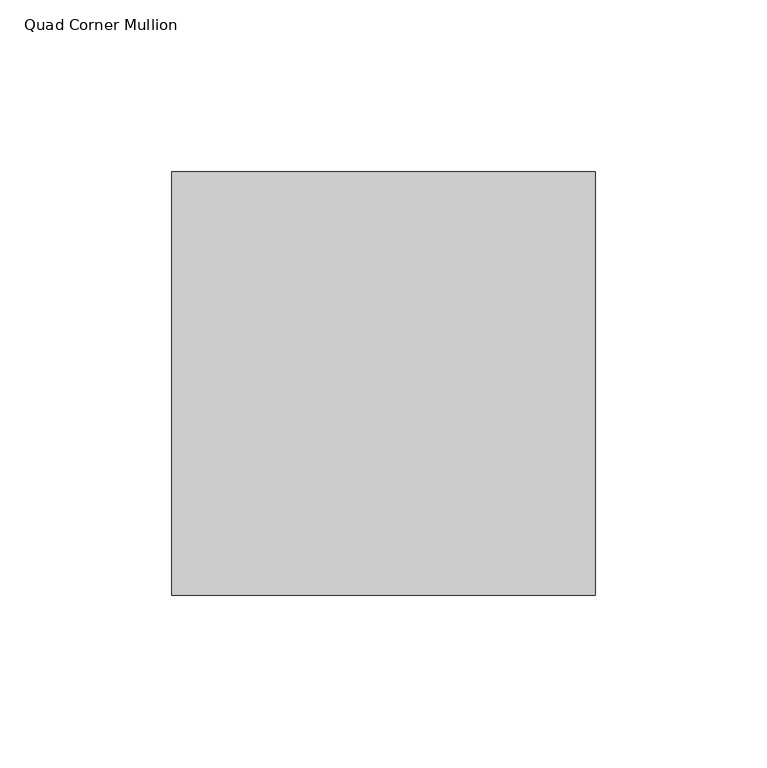
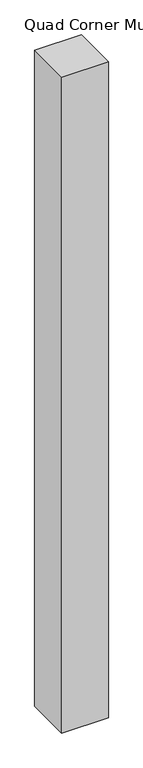
"""IFC4 building model written with IfcOpenShell, lengths in millimetres: member geometry, Quad Corner Mullion."""

from ifc_helpers import new_model, si_unit, frame, origin, place, context, project, spatial, polyline, outline, extrude, source, transform, mapped, element, save


def quad_corner_mullion_cb1e482d(model_context):
    return source(origin(), model_context, "Body", "SweptSolid", [
        extrude(outline(polyline([(77.0433594, -46.0871094), (-46.0871094, -46.0871094), (-46.0871094, 77.0433594), (77.0433594, 77.0433594), (77.0433594, -46.0871094)])), frame((0.0, 0.0, -1828.8), z_axis=(0.0, 0.0, 1.0), x_axis=(1.0, 0.0, 0.0)), (0.0, 0.0, 1.0), 1828.8),
    ])


if __name__ == "__main__":
    model = new_model("IFC4")
    model_context = context("Model", 3, world=origin())
    ifc_project = project(units=[si_unit("LENGTHUNIT", "METRE", prefix="MILLI")], contexts=[model_context])
    site = spatial("IfcSite", under=ifc_project)
    building = spatial("IfcBuilding", under=site)
    placement = place(None, origin())
    quad_corner_mullion_shape = quad_corner_mullion_cb1e482d(model_context)
    element("IfcMember", 1, ObjectType="Quad Corner Mullion", at=placement, inside=building, context=model_context, shape_type="MappedRepresentation", body=[
        mapped(quad_corner_mullion_shape, transform((0.0, 0.0, 0.0), x_axis=(1.0, 0.0, 0.0), y_axis=(0.0, 1.0, 0.0), z_axis=(0.0, 0.0, 1.0))),
    ])
    save(model, "model.ifc")
